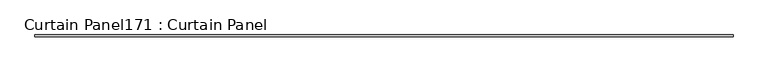
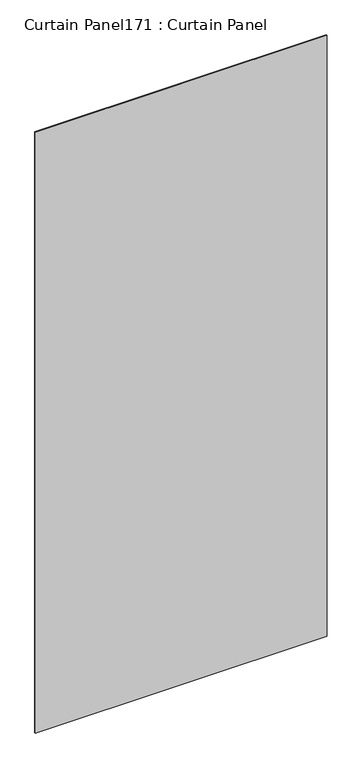
"""IFC4 building model written with IfcOpenShell, lengths in millimetres: plate geometry, Curtain Panel171 : Curtain Panel."""

import ifcopenshell
import ifcopenshell.guid

model = None  # the IFC model being written
_history = None  # IfcOwnerHistory: only IFC2X3 demands one
_inside = {}  # id of a spatial element -> (the spatial element, [elements in it])
_under = {}  # id of a project, library or spatial element -> (it, [spatial elements below it])
_declared = {}  # id of a project -> (the project, [libraries it declares])
_typed = {}  # id of a type object -> (the type object, [elements of that type])
_made_of = {}  # id of a material, layer set ... -> (it, [elements and type objects made of it])


def new_model(schema):
    """Start an empty IFC model of exactly this schema.

    Asked for "IFC4X3", IfcOpenShell would pick the latest addendum, in which some entities
    have other attributes; the version numbers below select the first issue.
    IFC2X3 requires an IfcOwnerHistory on every rooted entity: one is made here for all.
    """
    global model, _history
    if schema == "IFC4X3":
        model = ifcopenshell.file(schema_version=(4, 3, 0, 0))
    else:
        model = ifcopenshell.file(schema=schema)
    _inside.clear()
    _under.clear()
    _declared.clear()
    _typed.clear()
    _made_of.clear()
    _history = None
    if model.schema == "IFC2X3":
        org = make("IfcOrganization", Name="unknown")
        user = make(
            "IfcPersonAndOrganization",
            ThePerson=make("IfcPerson", FamilyName="unknown"),
            TheOrganization=org,
        )
        app = make(
            "IfcApplication",
            ApplicationDeveloper=org,
            Version="unknown",
            ApplicationFullName="unknown",
            ApplicationIdentifier="unknown",
        )
        _history = make(
            "IfcOwnerHistory",
            OwningUser=user,
            OwningApplication=app,
            ChangeAction="ADDED",
            CreationDate=0,
        )
    return model


def make(cls, **values):
    """One entity of the class cls with the attributes given. An attribute that is None is left unset."""
    return model.create_entity(
        cls, **{name: value for name, value in values.items() if value is not None}
    )


def rooted(cls, **values):
    """An entity with a GlobalId (a new one), such as an element, a storey or a relation."""
    return make(cls, GlobalId=ifcopenshell.guid.new(), OwnerHistory=_history, **values)


def si_unit(unit_type, name, prefix=None):
    """IfcSIUnit, for example si_unit("LENGTHUNIT", "METRE", prefix="MILLI")."""
    return make("IfcSIUnit", UnitType=unit_type, Prefix=prefix, Name=name)


def assignment(units):
    """IfcUnitAssignment: the units of a project."""
    return None if units is None else make("IfcUnitAssignment", Units=units)


def point(xyz):
    """IfcCartesianPoint."""
    return None if xyz is None else make("IfcCartesianPoint", Coordinates=xyz)


def direction(xyz):
    """IfcDirection."""
    return None if xyz is None else make("IfcDirection", DirectionRatios=xyz)


def frame(location, z_axis=None, x_axis=None):
    """IfcAxis2Placement3D, a coordinate frame: its origin and axes. An axis left out is left unset."""
    return make(
        "IfcAxis2Placement3D",
        Location=point(location),
        Axis=direction(z_axis),
        RefDirection=direction(x_axis),
    )


def origin():
    """The frame at (0, 0, 0) with its axes left unset."""
    return frame((0.0, 0.0, 0.0))


def place(relative_to, where):
    """IfcLocalPlacement: puts the frame where relative to a parent placement (None: the world)."""
    return make(
        "IfcLocalPlacement", PlacementRelTo=relative_to, RelativePlacement=where
    )


def context(
    kind, dimensions, precision=None, world=None, true_north=None, identifier=None
):
    """IfcGeometricRepresentationContext, for example the 3D "Model" context."""
    return make(
        "IfcGeometricRepresentationContext",
        ContextIdentifier=identifier,
        ContextType=kind,
        CoordinateSpaceDimension=dimensions,
        Precision=precision,
        WorldCoordinateSystem=world,
        TrueNorth=true_north,
    )


def project(units=None, contexts=None):
    """IfcProject with its units and contexts."""
    return rooted(
        "IfcProject",
        Name="project",
        RepresentationContexts=contexts,
        UnitsInContext=assignment(units),
    )


def spatial(cls, under=None, at=None, **own):
    """A site, building, storey or space (cls), placed at a placement, below another one or the project."""
    s = rooted(cls, ObjectPlacement=at, **own)
    if under is not None:
        _under.setdefault(under.id(), (under, []))[1].append(s)
    return s


def polyline(points):
    """IfcPolyline through the points."""
    return make("IfcPolyline", Points=[point(p) for p in points])


def outline(outer, holes=None, kind="AREA"):
    """IfcArbitraryClosedProfileDef: a profile drawn as a closed curve; with holes, ...WithVoids."""
    if holes is None:
        return make("IfcArbitraryClosedProfileDef", ProfileType=kind, OuterCurve=outer)
    return make(
        "IfcArbitraryProfileDefWithVoids",
        ProfileType=kind,
        OuterCurve=outer,
        InnerCurves=holes,
    )


def extrude(swept, where, along, depth):
    """IfcExtrudedAreaSolid: the profile swept, set in the frame where, extruded along a direction by depth."""
    return make(
        "IfcExtrudedAreaSolid",
        SweptArea=swept,
        Position=where,
        ExtrudedDirection=direction(along),
        Depth=depth,
    )


def shape(context_of_items, identifier, shape_type, items):
    """IfcShapeRepresentation: the items that make up one representation, for example the "Body"."""
    return make(
        "IfcShapeRepresentation",
        ContextOfItems=context_of_items,
        RepresentationIdentifier=identifier,
        RepresentationType=shape_type,
        Items=items,
    )


def source(mapping_origin, context_of_items, identifier, shape_type, items):
    """IfcRepresentationMap: a shape defined once, which mapped items show again and again."""
    return make(
        "IfcRepresentationMap",
        MappingOrigin=mapping_origin,
        MappedRepresentation=shape(context_of_items, identifier, shape_type, items),
    )


def transform(
    local_origin,
    x_axis=None,
    y_axis=None,
    z_axis=None,
    scale=None,
    scale2=None,
    scale3=None,
    uniform=True,
):
    """IfcCartesianTransformationOperator3D, or its non-uniform kind. x_axis, y_axis, z_axis: its Axis1, 2, 3."""
    if uniform:
        return make(
            "IfcCartesianTransformationOperator3D",
            Axis1=direction(x_axis),
            Axis2=direction(y_axis),
            LocalOrigin=point(local_origin),
            Scale=scale,
            Axis3=direction(z_axis),
        )
    return make(
        "IfcCartesianTransformationOperator3DnonUniform",
        Axis1=direction(x_axis),
        Axis2=direction(y_axis),
        LocalOrigin=point(local_origin),
        Scale=scale,
        Axis3=direction(z_axis),
        Scale2=scale2,
        Scale3=scale3,
    )


def mapped(mapping_source, mapping_target):
    """IfcMappedItem: shows the shape of a source again, moved by a transform."""
    return make(
        "IfcMappedItem", MappingSource=mapping_source, MappingTarget=mapping_target
    )


def made_of(thing, what):
    """Note that an element or type object is made of a material, layer set ...; save() writes the relation."""
    if what is not None:
        _made_of.setdefault(what.id(), (what, []))[1].append(thing)
    return thing


def element(
    cls,
    number,
    at=None,
    inside=None,
    cuts=None,
    type_object=None,
    material=None,
    context=None,
    identifier="Body",
    shape_type=None,
    held_by="IfcProductDefinitionShape",
    body=None,
    shapes=None,
    **own,
):
    """One element of the class cls, such as IfcWall. Its Tag is "e" and its number.

    at: its placement. inside: the storey or other place that contains it. cuts: it is an
    opening in that element (IfcRelVoidsElement). A single representation is given by context,
    identifier, shape_type and body (its items); several are given by shapes. held_by: the class
    of the entity that holds the representations. save() writes the other relations.
    """
    e = rooted(cls, Tag="e%d" % number, ObjectPlacement=at, **own)
    if body is not None:
        shapes = [shape(context, identifier, shape_type, body)]
    if shapes is not None:
        e.Representation = make(held_by, Representations=shapes)
    if inside is not None:
        _inside.setdefault(inside.id(), (inside, []))[1].append(e)
    if cuts is not None:
        rooted(
            "IfcRelVoidsElement", RelatingBuildingElement=cuts, RelatedOpeningElement=e
        )
    if type_object is not None:
        _typed.setdefault(type_object.id(), (type_object, []))[1].append(e)
    return made_of(e, material)


def aggregate(whole, parts):
    """IfcRelAggregates: a whole, such as a stair, and the parts it consists of."""
    return rooted("IfcRelAggregates", RelatingObject=whole, RelatedObjects=parts)


def save(model, path):
    """Write the relations noted so far, then the file.

    IfcRelAggregates (storeys below a building ...), IfcRelContainedInSpatialStructure (elements
    in a storey), IfcRelDefinesByType, IfcRelAssociatesMaterial and IfcRelDeclares: one each for
    every whole, place, type object, material and project.
    """
    for whole, parts in _under.values():
        aggregate(whole, parts)
    for where, things in _inside.values():
        rooted(
            "IfcRelContainedInSpatialStructure",
            RelatedElements=things,
            RelatingStructure=where,
        )
    for kind, things in _typed.values():
        rooted("IfcRelDefinesByType", RelatedObjects=things, RelatingType=kind)
    for what, things in _made_of.values():
        rooted("IfcRelAssociatesMaterial", RelatedObjects=things, RelatingMaterial=what)
    for by, libraries in _declared.values():
        rooted("IfcRelDeclares", RelatingContext=by, RelatedDefinitions=libraries)
    model.write(path)


def curtain_panel171_curtain_panel_2821b6b2(model_context):
    return source(origin(), model_context, "Body", "SweptSolid", [
        extrude(outline(polyline([(513502.5869292, 2657.4439437), (503788.218837, 2657.4439437), (503788.218837, 2682.8439437), (513502.5869292, 2682.8439437), (513502.5869292, 2657.4439437)])), frame((0.0, 0.0, 4959.7989371), z_axis=(0.0, 0.0, 1.0), x_axis=(1.0, 0.0, 0.0)), (0.0, 0.0, 1.0), 21137.0234256),
    ])


if __name__ == "__main__":
    model = new_model("IFC4")
    model_context = context("Model", 3, world=origin())
    ifc_project = project(units=[si_unit("LENGTHUNIT", "METRE", prefix="MILLI")], contexts=[model_context])
    site = spatial("IfcSite", under=ifc_project)
    building = spatial("IfcBuilding", under=site)
    placement = place(None, origin())
    curtain_panel171_curtain_panel_shape = curtain_panel171_curtain_panel_2821b6b2(model_context)
    element("IfcPlate", 1, ObjectType="Curtain Panel171 : Curtain Panel", at=placement, inside=building, context=model_context, shape_type="MappedRepresentation", body=[
        mapped(curtain_panel171_curtain_panel_shape, transform((0.0, 0.0, 0.0), x_axis=(1.0, 0.0, 0.0), y_axis=(0.0, 1.0, 0.0), z_axis=(0.0, 0.0, 1.0))),
    ])
    save(model, "model.ifc")
